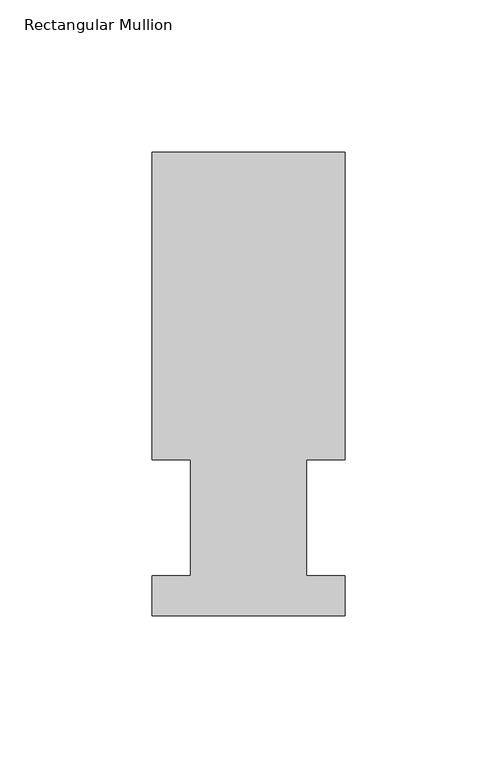
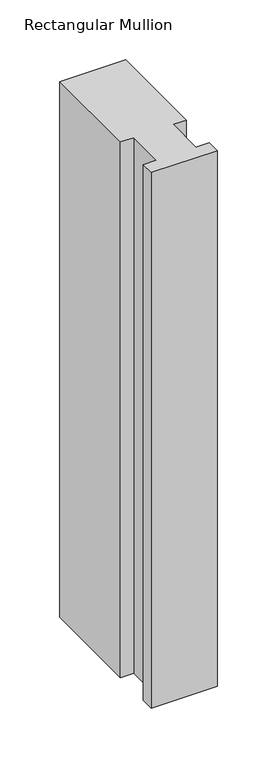
"""IFC4 building model written with IfcOpenShell, lengths in millimetres: member geometry, Rectangular Mullion."""

import ifcopenshell
import ifcopenshell.guid

model = None  # the IFC model being written
_history = None  # IfcOwnerHistory: only IFC2X3 demands one
_inside = {}  # id of a spatial element -> (the spatial element, [elements in it])
_under = {}  # id of a project, library or spatial element -> (it, [spatial elements below it])
_declared = {}  # id of a project -> (the project, [libraries it declares])
_typed = {}  # id of a type object -> (the type object, [elements of that type])
_made_of = {}  # id of a material, layer set ... -> (it, [elements and type objects made of it])


def new_model(schema):
    """Start an empty IFC model of exactly this schema.

    Asked for "IFC4X3", IfcOpenShell would pick the latest addendum, in which some entities
    have other attributes; the version numbers below select the first issue.
    IFC2X3 requires an IfcOwnerHistory on every rooted entity: one is made here for all.
    """
    global model, _history
    if schema == "IFC4X3":
        model = ifcopenshell.file(schema_version=(4, 3, 0, 0))
    else:
        model = ifcopenshell.file(schema=schema)
    _inside.clear()
    _under.clear()
    _declared.clear()
    _typed.clear()
    _made_of.clear()
    _history = None
    if model.schema == "IFC2X3":
        org = make("IfcOrganization", Name="unknown")
        user = make(
            "IfcPersonAndOrganization",
            ThePerson=make("IfcPerson", FamilyName="unknown"),
            TheOrganization=org,
        )
        app = make(
            "IfcApplication",
            ApplicationDeveloper=org,
            Version="unknown",
            ApplicationFullName="unknown",
            ApplicationIdentifier="unknown",
        )
        _history = make(
            "IfcOwnerHistory",
            OwningUser=user,
            OwningApplication=app,
            ChangeAction="ADDED",
            CreationDate=0,
        )
    return model


def make(cls, **values):
    """One entity of the class cls with the attributes given. An attribute that is None is left unset."""
    return model.create_entity(
        cls, **{name: value for name, value in values.items() if value is not None}
    )


def rooted(cls, **values):
    """An entity with a GlobalId (a new one), such as an element, a storey or a relation."""
    return make(cls, GlobalId=ifcopenshell.guid.new(), OwnerHistory=_history, **values)


def si_unit(unit_type, name, prefix=None):
    """IfcSIUnit, for example si_unit("LENGTHUNIT", "METRE", prefix="MILLI")."""
    return make("IfcSIUnit", UnitType=unit_type, Prefix=prefix, Name=name)


def assignment(units):
    """IfcUnitAssignment: the units of a project."""
    return None if units is None else make("IfcUnitAssignment", Units=units)


def point(xyz):
    """IfcCartesianPoint."""
    return None if xyz is None else make("IfcCartesianPoint", Coordinates=xyz)


def direction(xyz):
    """IfcDirection."""
    return None if xyz is None else make("IfcDirection", DirectionRatios=xyz)


def frame(location, z_axis=None, x_axis=None):
    """IfcAxis2Placement3D, a coordinate frame: its origin and axes. An axis left out is left unset."""
    return make(
        "IfcAxis2Placement3D",
        Location=point(location),
        Axis=direction(z_axis),
        RefDirection=direction(x_axis),
    )


def origin():
    """The frame at (0, 0, 0) with its axes left unset."""
    return frame((0.0, 0.0, 0.0))


def place(relative_to, where):
    """IfcLocalPlacement: puts the frame where relative to a parent placement (None: the world)."""
    return make(
        "IfcLocalPlacement", PlacementRelTo=relative_to, RelativePlacement=where
    )


def context(
    kind, dimensions, precision=None, world=None, true_north=None, identifier=None
):
    """IfcGeometricRepresentationContext, for example the 3D "Model" context."""
    return make(
        "IfcGeometricRepresentationContext",
        ContextIdentifier=identifier,
        ContextType=kind,
        CoordinateSpaceDimension=dimensions,
        Precision=precision,
        WorldCoordinateSystem=world,
        TrueNorth=true_north,
    )


def project(units=None, contexts=None):
    """IfcProject with its units and contexts."""
    return rooted(
        "IfcProject",
        Name="project",
        RepresentationContexts=contexts,
        UnitsInContext=assignment(units),
    )


def spatial(cls, under=None, at=None, **own):
    """A site, building, storey or space (cls), placed at a placement, below another one or the project."""
    s = rooted(cls, ObjectPlacement=at, **own)
    if under is not None:
        _under.setdefault(under.id(), (under, []))[1].append(s)
    return s


def polyline(points):
    """IfcPolyline through the points."""
    return make("IfcPolyline", Points=[point(p) for p in points])


def outline(outer, holes=None, kind="AREA"):
    """IfcArbitraryClosedProfileDef: a profile drawn as a closed curve; with holes, ...WithVoids."""
    if holes is None:
        return make("IfcArbitraryClosedProfileDef", ProfileType=kind, OuterCurve=outer)
    return make(
        "IfcArbitraryProfileDefWithVoids",
        ProfileType=kind,
        OuterCurve=outer,
        InnerCurves=holes,
    )


def extrude(swept, where, along, depth):
    """IfcExtrudedAreaSolid: the profile swept, set in the frame where, extruded along a direction by depth."""
    return make(
        "IfcExtrudedAreaSolid",
        SweptArea=swept,
        Position=where,
        ExtrudedDirection=direction(along),
        Depth=depth,
    )


def shape(context_of_items, identifier, shape_type, items):
    """IfcShapeRepresentation: the items that make up one representation, for example the "Body"."""
    return make(
        "IfcShapeRepresentation",
        ContextOfItems=context_of_items,
        RepresentationIdentifier=identifier,
        RepresentationType=shape_type,
        Items=items,
    )


def source(mapping_origin, context_of_items, identifier, shape_type, items):
    """IfcRepresentationMap: a shape defined once, which mapped items show again and again."""
    return make(
        "IfcRepresentationMap",
        MappingOrigin=mapping_origin,
        MappedRepresentation=shape(context_of_items, identifier, shape_type, items),
    )


def transform(
    local_origin,
    x_axis=None,
    y_axis=None,
    z_axis=None,
    scale=None,
    scale2=None,
    scale3=None,
    uniform=True,
):
    """IfcCartesianTransformationOperator3D, or its non-uniform kind. x_axis, y_axis, z_axis: its Axis1, 2, 3."""
    if uniform:
        return make(
            "IfcCartesianTransformationOperator3D",
            Axis1=direction(x_axis),
            Axis2=direction(y_axis),
            LocalOrigin=point(local_origin),
            Scale=scale,
            Axis3=direction(z_axis),
        )
    return make(
        "IfcCartesianTransformationOperator3DnonUniform",
        Axis1=direction(x_axis),
        Axis2=direction(y_axis),
        LocalOrigin=point(local_origin),
        Scale=scale,
        Axis3=direction(z_axis),
        Scale2=scale2,
        Scale3=scale3,
    )


def mapped(mapping_source, mapping_target):
    """IfcMappedItem: shows the shape of a source again, moved by a transform."""
    return make(
        "IfcMappedItem", MappingSource=mapping_source, MappingTarget=mapping_target
    )


def made_of(thing, what):
    """Note that an element or type object is made of a material, layer set ...; save() writes the relation."""
    if what is not None:
        _made_of.setdefault(what.id(), (what, []))[1].append(thing)
    return thing


def element(
    cls,
    number,
    at=None,
    inside=None,
    cuts=None,
    type_object=None,
    material=None,
    context=None,
    identifier="Body",
    shape_type=None,
    held_by="IfcProductDefinitionShape",
    body=None,
    shapes=None,
    **own,
):
    """One element of the class cls, such as IfcWall. Its Tag is "e" and its number.

    at: its placement. inside: the storey or other place that contains it. cuts: it is an
    opening in that element (IfcRelVoidsElement). A single representation is given by context,
    identifier, shape_type and body (its items); several are given by shapes. held_by: the class
    of the entity that holds the representations. save() writes the other relations.
    """
    e = rooted(cls, Tag="e%d" % number, ObjectPlacement=at, **own)
    if body is not None:
        shapes = [shape(context, identifier, shape_type, body)]
    if shapes is not None:
        e.Representation = make(held_by, Representations=shapes)
    if inside is not None:
        _inside.setdefault(inside.id(), (inside, []))[1].append(e)
    if cuts is not None:
        rooted(
            "IfcRelVoidsElement", RelatingBuildingElement=cuts, RelatedOpeningElement=e
        )
    if type_object is not None:
        _typed.setdefault(type_object.id(), (type_object, []))[1].append(e)
    return made_of(e, material)


def aggregate(whole, parts):
    """IfcRelAggregates: a whole, such as a stair, and the parts it consists of."""
    return rooted("IfcRelAggregates", RelatingObject=whole, RelatedObjects=parts)


def save(model, path):
    """Write the relations noted so far, then the file.

    IfcRelAggregates (storeys below a building ...), IfcRelContainedInSpatialStructure (elements
    in a storey), IfcRelDefinesByType, IfcRelAssociatesMaterial and IfcRelDeclares: one each for
    every whole, place, type object, material and project.
    """
    for whole, parts in _under.values():
        aggregate(whole, parts)
    for where, things in _inside.values():
        rooted(
            "IfcRelContainedInSpatialStructure",
            RelatedElements=things,
            RelatingStructure=where,
        )
    for kind, things in _typed.values():
        rooted("IfcRelDefinesByType", RelatedObjects=things, RelatingType=kind)
    for what, things in _made_of.values():
        rooted("IfcRelAssociatesMaterial", RelatedObjects=things, RelatingMaterial=what)
    for by, libraries in _declared.values():
        rooted("IfcRelDeclares", RelatingContext=by, RelatedDefinitions=libraries)
    model.write(path)


def rectangular_mullion_bf3956aa(model_context):
    return source(origin(), model_context, "Body", "SweptSolid", [
        extrude(outline(polyline([(-63.5, 152.4896937), (0.0, 152.4896937), (0.0, 51.2960938), (-12.6873, 51.2960938), (-12.6873, 13.1960938), (0.0, 13.1960938), (0.0, 0.0134938), (-63.5, 0.0134938), (-63.5, 13.1960938), (-50.8, 13.1960938), (-50.8, 51.2960937), (-63.5, 51.2960937), (-63.5, 152.4896937)])), frame((0.0, 0.0, -546.1), z_axis=(0.0, 0.0, 1.0), x_axis=(1.0, 0.0, 0.0)), (0.0, 0.0, 1.0), 546.1),
    ])


if __name__ == "__main__":
    model = new_model("IFC4")
    model_context = context("Model", 3, world=origin())
    ifc_project = project(units=[si_unit("LENGTHUNIT", "METRE", prefix="MILLI")], contexts=[model_context])
    site = spatial("IfcSite", under=ifc_project)
    building = spatial("IfcBuilding", under=site)
    placement = place(None, origin())
    rectangular_mullion_shape = rectangular_mullion_bf3956aa(model_context)
    element("IfcMember", 1, ObjectType="Rectangular Mullion", at=placement, inside=building, context=model_context, shape_type="MappedRepresentation", body=[
        mapped(rectangular_mullion_shape, transform((0.0, 0.0, 0.0), x_axis=(1.0, 0.0, 0.0), y_axis=(0.0, 1.0, 0.0), z_axis=(0.0, 0.0, 1.0))),
    ])
    save(model, "model.ifc")
